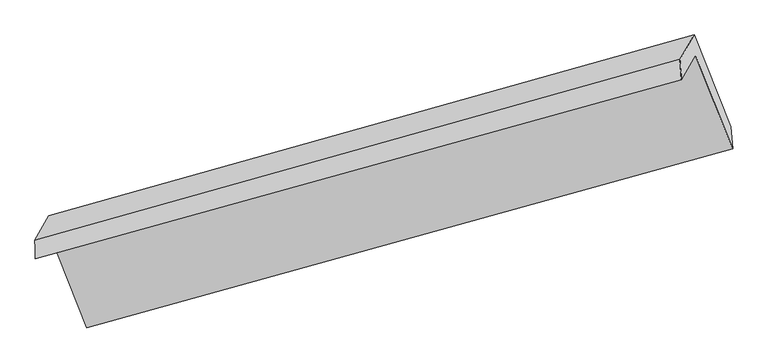
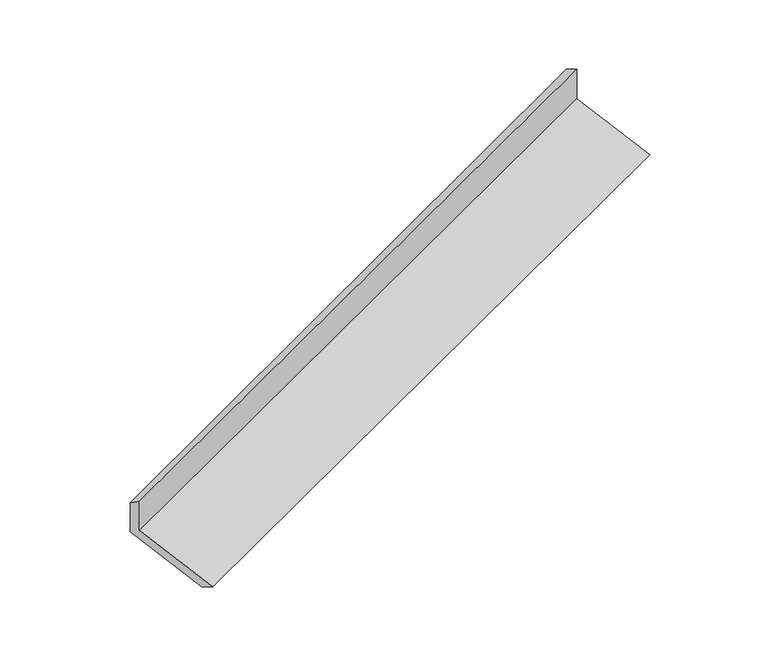
"""IFC4 building model written with IfcOpenShell, lengths in millimetres: proxy geometry."""

from ifc_helpers import new_model, si_unit, frame, origin, place, context, project, spatial, source, transform, mapped, element, save
from ifc_brep_helpers import plane_surface, spline_surface, advanced_brep


def generic_models_5570aca2(model_context):
    return source(origin(), model_context, "Body", "AdvancedBrep", [
        advanced_brep(
        [(-5044.9067254, -2043.0223321, 1539.1276662), (-4955.5506502, -1887.2863459, 1170.4975034), (-856.1317701, -752.6201852, 2643.562896), (-945.4878454, -908.3561714, 3012.1930588), (-5048.5408943, -1926.0058715, 1458.2723594), (-954.4311548, -778.0015227, 2935.6858279), (-4959.4398596, -1770.7143877, 1090.6943425), (-865.3301201, -622.7100388, 2568.107811), (-4727.9408523, -2352.3108451, 901.10146), (-633.8311128, -1204.3064962, 2378.5149285), (-4720.0295285, -2478.9875872, 977.6105927), (-620.6106485, -1344.3214265, 2450.6759853)],
        [
            (0, 1),
            (1, 2),
            (2, 3),
            (3, 0),
            (4, 0),
            (3, 5),
            (5, 4),
            (6, 4),
            (5, 7),
            (7, 6),
            (8, 6),
            (7, 9),
            (9, 8),
            (10, 8),
            (9, 11),
            (11, 10),
            (1, 10),
            (11, 2),
        ],
        [
            plane_surface(frame((-5000.2286878, -1965.154339, 1354.8125848), z_axis=(0.35090993456319186, -0.8900574544917661, -0.2909638216832025), x_axis=(0.2179245335287437, 0.37981404239575495, -0.8990273582518361))),
            spline_surface(1, 1, [[(-5048.5408943, -1926.0058715, 1458.2723594), (-954.4311548, -778.0015227, 2935.6858279)], [(-5044.9067254, -2043.0223321, 1539.1276662), (-945.4878454, -908.3561714, 3012.1930588)]], [2, 2], [2, 2], [0.0, 1.0], [0.0, 1.0]),
            plane_surface(frame((-5003.990377, -1848.3601296, 1274.4833509), z_axis=(-0.3539427009717388, 0.8892125429903244, 0.28987172648864995), x_axis=(-0.21792453352876556, -0.37981404239575656, 0.8990273582518301))),
            plane_surface(frame((-4843.690356, -2061.5126164, 995.8979012), z_axis=(0.2179245335287454, 0.3798140423957495, -0.899027358251838), x_axis=(-0.3539427009717345, 0.8892125429903261, 0.28987172648865017))),
            spline_surface(1, 1, [[(-4720.0295285, -2478.9875872, 977.6105927), (-620.6106485, -1344.3214265, 2450.6759853)], [(-4727.9408523, -2352.3108451, 901.10146), (-633.8311128, -1204.3064962, 2378.5149285)]], [2, 2], [2, 2], [0.0, 1.0], [0.0, 1.0]),
            plane_surface(frame((-4837.7900894, -2183.1369666, 1074.0540481), z_axis=(-0.21792453352874722, -0.37981404239574335, 0.8990273582518403), x_axis=(0.35394270097172925, -0.8892125429903298, -0.2898717264886455))),
            plane_surface(frame((-812.6371086, -935.0526401, 2664.7900846), z_axis=(0.909523755662876, 0.25503401064891895, 0.32821363667164116), x_axis=(-0.3539427009717345, 0.8892125429903261, 0.28987172648865017))),
            plane_surface(frame((-4909.4014184, -2076.3878949, 1189.550654), z_axis=(-0.9095237556628376, -0.25503401064904074, -0.3282136366716533), x_axis=(-0.21792453352872243, -0.37981404239579647, 0.8990273582518237))),
        ],
        [
            (0, [[1, 2, 3, 4]]),
            (1, [[5, -4, 6, 7]]),
            (2, [[8, -7, 9, 10]]),
            (3, [[11, -10, 12, 13]]),
            (4, [[14, -13, 15, 16]]),
            (5, [[17, -16, 18, -2]]),
            (6, [[-12, -9, -6, -3, -18, -15]]),
            (7, [[-1, -5, -8, -11, -14, -17]]),
        ],
    ),
    ])


if __name__ == "__main__":
    model = new_model("IFC4")
    model_context = context("Model", 3, world=origin())
    ifc_project = project(units=[si_unit("LENGTHUNIT", "METRE", prefix="MILLI")], contexts=[model_context])
    site = spatial("IfcSite", under=ifc_project)
    building = spatial("IfcBuilding", under=site)
    placement = place(None, origin())
    generic_models_shape = generic_models_5570aca2(model_context)
    element("IfcBuildingElementProxy", 1, Name="Generic Models", at=placement, inside=building, context=model_context, shape_type="MappedRepresentation", body=[
        mapped(generic_models_shape, transform((0.0, 0.0, 0.0), x_axis=(1.0, 0.0, 0.0), y_axis=(0.0, 1.0, 0.0), z_axis=(0.0, 0.0, 1.0))),
    ])
    save(model, "model.ifc")
